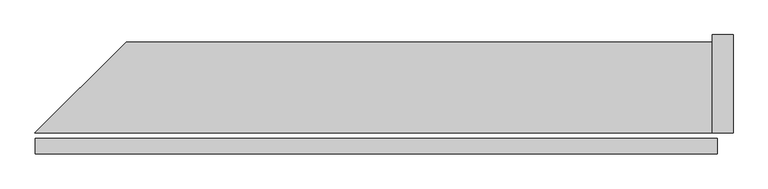
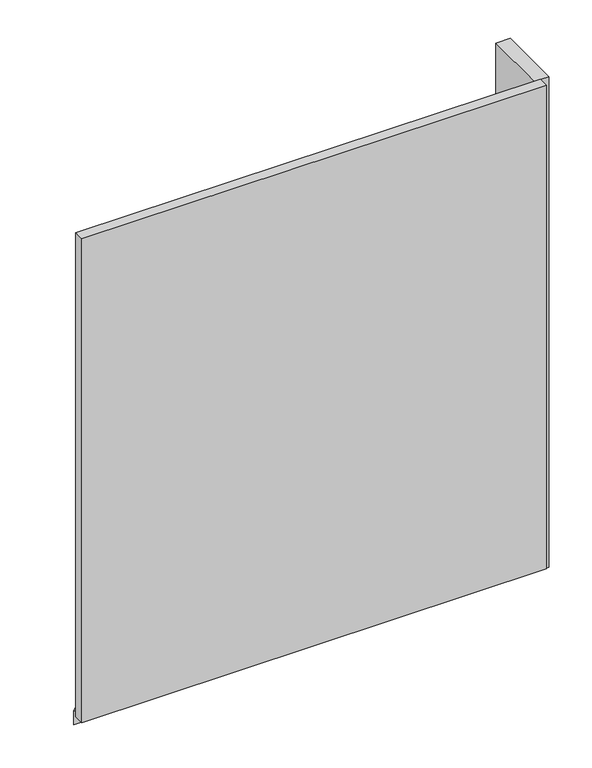
"""IFC4 building model written with IfcOpenShell, lengths in millimetres: plate geometry."""

from ifc_helpers import new_model, si_unit, frame, origin, origin_with_axes, place, context, project, spatial, polyline, outline, extrude, source, transform, mapped, element, save


def plate_65b40efe(model_context):
    return source(origin(), model_context, "Body", "SweptSolid", [
        extrude(outline(polyline([(973.0, 0.0), (-973.0, 0.0), (-973.0, 44.0), (973.0, 44.0), (973.0, 0.0)])), origin_with_axes(), (0.0, 0.0, 1.0), 2142.0),
        extrude(outline(polyline([(958.0, 320.0), (958.0, 60.0), (-973.5735931, 60.0), (-713.5735931, 320.0), (958.0, 320.0)])), frame((0.0, 0.0, -45.0), z_axis=(0.0, 0.0, 1.0), x_axis=(1.0, 0.0, 0.0)), (0.0, 0.0, 1.0), 60.0),
        extrude(outline(polyline([(1018.0, 60.0), (958.0, 60.0), (958.0, 340.0), (1018.0, 340.0), (1018.0, 60.0)])), frame((0.0, 0.0, -45.0), z_axis=(0.0, 0.0, 1.0), x_axis=(1.0, 0.0, 0.0)), (0.0, 0.0, 1.0), 2172.0),
    ])


if __name__ == "__main__":
    model = new_model("IFC4")
    model_context = context("Model", 3, world=origin())
    ifc_project = project(units=[si_unit("LENGTHUNIT", "METRE", prefix="MILLI")], contexts=[model_context])
    site = spatial("IfcSite", under=ifc_project)
    building = spatial("IfcBuilding", under=site)
    placement = place(None, origin())
    plate_shape = plate_65b40efe(model_context)
    element("IfcPlate", 1, at=placement, inside=building, context=model_context, shape_type="MappedRepresentation", body=[
        mapped(plate_shape, transform((0.0, 0.0, 0.0), x_axis=(1.0, 0.0, 0.0), y_axis=(0.0, 1.0, 0.0), z_axis=(0.0, 0.0, 1.0))),
    ])
    save(model, "model.ifc")
